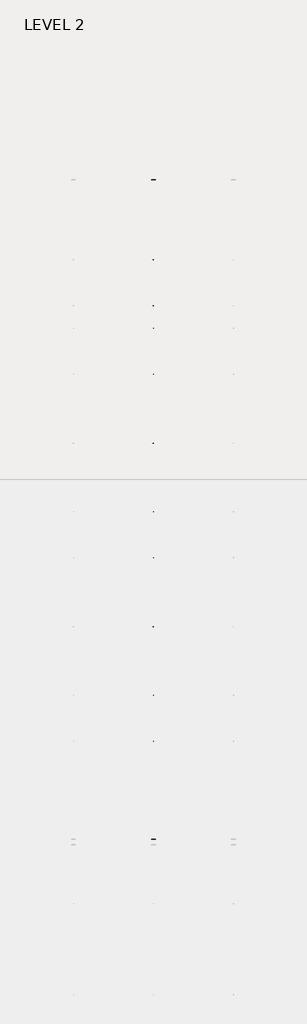
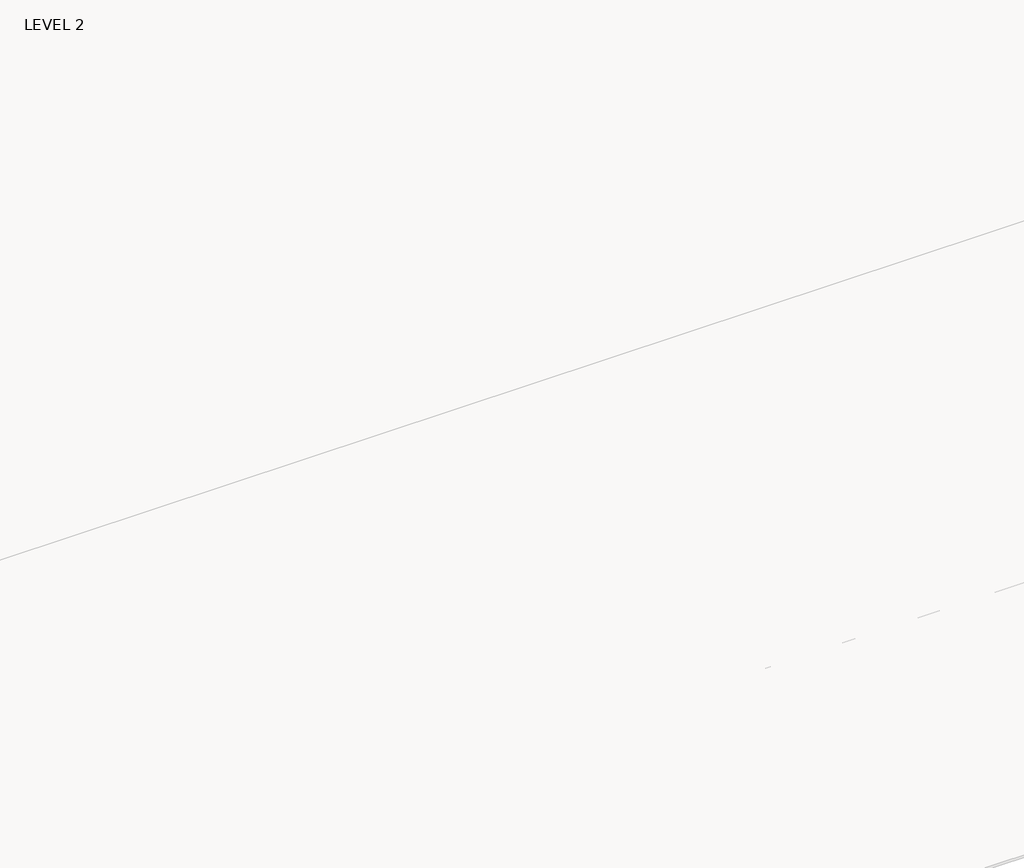
# One storey, part 45 of 67: 1 beam.
"""IFC4 building model written with IfcOpenShell, lengths in millimetres."""

from ifc_helpers import new_model, si_unit, frame, origin, place, context, project, spatial, polyline, outline, extrude, faceted_brep, element, save

model = new_model("IFC4")

# Units and contexts
model_context = context("Model", 3, world=origin())
ifc_project = project(units=[si_unit("LENGTHUNIT", "METRE", prefix="MILLI")], contexts=[model_context])

# Site, building, storey
site = spatial("IfcSite", under=ifc_project)
building = spatial("IfcBuilding", under=site)
storey = spatial("IfcBuildingStorey", under=building, Name="LEVEL 2", Elevation=6908.8)

# Beam
placement = place(None, origin())
element("IfcBeam", 1, ObjectType="K-Series Bar Joist-Angle Web : 30K7", at=placement, inside=storey, context=model_context, shape_type="SolidModel", body=[
    extrude(outline(polyline([(0.0, -9.525), (0.0, 0.0), (1596.011582, 0.0), (1596.011582, -9.525), (0.0, -9.525)])), frame((35701.8014942, 3035.5608234, 6301.5998528), z_axis=(0.0, -0.45537207995192985, 0.8903012236317849), x_axis=(0.0, -0.8903012236317849, -0.45537207995192985)), (0.0, 0.0, 1.0), 9.525),
    extrude(outline(polyline([(0.0, -9.525), (0.0, 0.0), (1596.011582, 0.0), (1596.011582, -9.525), (0.0, -9.525)])), frame((35692.2764942, -9405.2089013, 6276.405159), z_axis=(0.0, 0.45176233395621196, 0.8921383265046045), x_axis=(0.0, 0.8921383265046045, -0.45176233395621196)), (0.0, 0.0, 1.0), 9.525),
    extrude(outline(polyline([(4.7625, 4.7625), (4.7625, -4.7625), (-4.7625, -4.7625), (-4.7625, 4.7625), (4.7625, 4.7625)])), frame((35697.0389942, 1612.4610495, 5579.0607987), z_axis=(0.0, 0.5141906943646374, 0.8576758885667779), x_axis=(-1.0, 0.0, 0.0)), (0.0, 0.0, 1.0), 845.0528554),
    extrude(outline(polyline([(4.7625, 4.7625), (4.7625, -4.7625), (-4.7625, -4.7625), (-4.7625, 4.7625), (4.7625, 4.7625)])), frame((35697.0389942, -7979.1942813, 5559.6360505), z_axis=(0.0, -0.5176603441548682, 0.8555862131249332), x_axis=(-1.0, 0.0, 0.0)), (0.0, 0.0, 1.0), 845.0528554),
    extrude(outline(polyline([(0.0, 0.0), (31.75, 0.0), (31.75, -6.35), (6.35, -6.35), (6.35, -31.75), (0.0, -31.75), (0.0, 0.0)])), frame((35701.8014942, -8080.7812131, 5553.0803065), z_axis=(0.0, 0.9999979493462576, 0.0020251674695521043), x_axis=(1.0, 0.0, 0.0)), (0.0, 0.0, 1.0), 9794.875),
    extrude(outline(polyline([(-9.525, 0.0), (-9.525, -31.75), (-15.875, -31.75), (-15.875, -6.35), (-41.275, -6.35), (-41.275, 0.0), (-9.525, 0.0)])), frame((35701.8014942, -8080.7812131, 5553.0803065), z_axis=(0.0, 0.9999979493462576, 0.0020251674695521043), x_axis=(1.0, 0.0, 0.0)), (0.0, 0.0, 1.0), 9794.875),
    extrude(outline(polyline([(-31.75, 0.0), (0.0, 0.0), (0.0, -6.35), (-25.4, -6.35), (-25.4, -31.75), (-31.75, -31.75), (-31.75, 0.0)])), frame((35733.5514942, -9504.5928758, 6248.6982759), z_axis=(0.0, 0.9999979493462576, 0.0020251674695521043), x_axis=(1.0, 0.0, 0.0)), (0.0, 0.0, 1.0), 101.6),
    extrude(outline(polyline([(-41.275, 0.0), (-41.275, -31.75), (-47.625, -31.75), (-47.625, -6.35), (-73.025, -6.35), (-73.025, 0.0), (-41.275, 0.0)])), frame((35733.5514942, -9504.5928758, 6248.6982759), z_axis=(0.0, 0.9999979493462576, 0.0020251674695521043), x_axis=(1.0, 0.0, 0.0)), (0.0, 0.0, 1.0), 101.6),
    extrude(outline(polyline([(0.0, 0.0), (31.75, 0.0), (31.75, -6.35), (6.35, -6.35), (6.35, -31.75), (0.0, -31.75), (0.0, 0.0)])), frame((35692.2764942, 3033.456413, 6274.0899775), z_axis=(0.0, 0.9999979493462576, 0.0020251674695521043), x_axis=(0.0, -0.0020251674695521043, 0.9999979493462576)), (0.0, 0.0, 1.0), 101.6),
    extrude(outline(polyline([(0.0, 41.275), (6.35, 41.275), (6.35, 15.875), (31.75, 15.875), (31.75, 9.525), (0.0, 9.525), (0.0, 41.275)])), frame((35692.2764942, 3033.456413, 6274.0899775), z_axis=(0.0, 0.9999979493462576, 0.0020251674695521043), x_axis=(0.0, -0.0020251674695521043, 0.9999979493462576)), (0.0, 0.0, 1.0), 101.6),
    extrude(outline(polyline([(0.0, 0.0), (31.75, 0.0), (31.75, -6.35), (6.35, -6.35), (6.35, -31.75), (0.0, -31.75), (0.0, 0.0)])), frame((35701.8014942, -9504.7214739, 6312.1981457), z_axis=(0.0, 0.9999979493462576, 0.0020251674695521043), x_axis=(0.0, 0.0020251674695521043, -0.9999979493462576)), (0.0, 0.0, 1.0), 12639.675),
    extrude(outline(polyline([(0.0, 9.525), (0.0, 41.275), (6.35, 41.275), (6.35, 15.875), (31.75, 15.875), (31.75, 9.525), (0.0, 9.525)])), frame((35701.8014942, -9504.7214739, 6312.1981457), z_axis=(0.0, 0.9999979493462576, 0.0020251674695521043), x_axis=(0.0, 0.0020251674695521043, -0.9999979493462576)), (0.0, 0.0, 1.0), 12639.675),
    faceted_brep([(35697.0389942, 1612.4289, 5594.9357661), (35697.0389942, 1612.4674794, 5575.8858052), (35692.2764942, 1612.4674794, 5575.8858052), (35692.2764942, 1612.4289, 5594.9357661), (35697.0389942, 1611.5910583, 5594.9340693), (35697.0389942, 1186.8149607, 6330.6753354), (35697.0389942, 1168.6028414, 6330.6384527), (35697.0389942, 1168.6414208, 6311.5884918), (35697.0389942, 1175.8292494, 6311.6030483), (35697.0389942, 1600.6053471, 5575.8617823), (35692.2764942, 1600.6053471, 5575.8617823), (35692.2764942, 1580.4651011, 5610.7460665), (35692.2764942, 1584.5895575, 5613.1272983), (35692.2764942, 1189.1083632, 6298.1277874), (35692.2764942, 1184.9839067, 6295.7465555), (35692.2764942, 1175.8292494, 6311.6030483), (35692.2764942, 1168.6414208, 6311.5884918), (35692.2764942, 1168.6028414, 6330.6384527), (35692.2764942, 1186.8149607, 6330.6753354), (35692.2764942, 1611.5910583, 5594.9340693), (35679.5764942, 1184.9839067, 6295.7465555), (35679.5764942, 1580.4651011, 5610.7460665), (35679.5764942, 1584.5895575, 5613.1272983), (35679.5764942, 1189.1083632, 6298.1277874)], [[[0, 1, 2, 3]], [[1, 0, 4, 5, 6, 7, 8, 9]], [[2, 1, 9, 10]], [[3, 2, 10, 11, 12, 13, 14, 15, 16, 17, 18, 19]], [[0, 3, 19, 4]], [[9, 8, 15, 14, 20, 21, 11, 10]], [[5, 4, 19, 18]], [[7, 6, 17, 16]], [[8, 7, 16, 15]], [[6, 5, 18, 17]], [[21, 22, 12, 11]], [[20, 14, 13, 23]], [[22, 21, 20, 23]], [[12, 22, 23, 13]]]),
    extrude(outline(polyline([(740.498813, 5574.119919), (740.4602335, 5593.1698799), (741.2980751, 5593.1715767), (1163.090696, 6330.6272897), (1181.3028154, 6330.6641723), (1181.3413948, 6311.6142114), (1174.1535662, 6311.5996548), (752.3609453, 5574.1439418), (740.498813, 5574.119919)])), frame((35697.0389942, 0.0, 0.0), z_axis=(1.0, 0.0, 0.0), x_axis=(0.0, 1.0, 0.0)), (0.0, 0.0, 1.0), 4.7625),
    extrude(outline(polyline([(-4.7625, 4.7625), (-4.7625, 0.0), (-17.4625, 0.0), (-17.4625, 4.7625), (-4.7625, 4.7625)])), frame((35697.0389942, 772.3597334, 5609.1095144), z_axis=(0.0, 0.4964843899757221, 0.8680456500152716), x_axis=(-1.0, 0.0, 0.0)), (0.0, 0.0, 1.0), 790.9684223),
    faceted_brep([(35697.0389942, -7107.2577644, 5577.2769041), (35697.0389942, -7107.219185, 5558.2269432), (35692.2764942, -7107.219185, 5558.2269432), (35692.2764942, -7107.2577644, 5577.2769041), (35697.0389942, -7108.095606, 5577.2752074), (35697.0389942, -7532.8717036, 6313.0164734), (35697.0389942, -7551.083823, 6312.9795907), (35697.0389942, -7551.0452435, 6293.9296298), (35697.0389942, -7543.8574149, 6293.9441864), (35697.0389942, -7119.0813173, 5558.2029203), (35692.2764942, -7119.0813173, 5558.2029203), (35692.2764942, -7139.2215633, 5593.0872045), (35692.2764942, -7135.0971068, 5595.4684363), (35692.2764942, -7530.5783012, 6280.4689254), (35692.2764942, -7534.7027576, 6278.0876936), (35692.2764942, -7543.8574149, 6293.9441864), (35692.2764942, -7551.0452435, 6293.9296298), (35692.2764942, -7551.083823, 6312.9795907), (35692.2764942, -7532.8717036, 6313.0164734), (35692.2764942, -7108.095606, 5577.2752074), (35679.5764942, -7534.7027576, 6278.0876936), (35679.5764942, -7139.2215633, 5593.0872045), (35679.5764942, -7135.0971068, 5595.4684363), (35679.5764942, -7530.5783012, 6280.4689254)], [[[0, 1, 2, 3]], [[1, 0, 4, 5, 6, 7, 8, 9]], [[2, 1, 9, 10]], [[3, 2, 10, 11, 12, 13, 14, 15, 16, 17, 18, 19]], [[0, 3, 19, 4]], [[9, 8, 15, 14, 20, 21, 11, 10]], [[5, 4, 19, 18]], [[7, 6, 17, 16]], [[8, 7, 16, 15]], [[6, 5, 18, 17]], [[21, 22, 12, 11]], [[20, 14, 13, 23]], [[22, 21, 20, 23]], [[12, 22, 23, 13]]]),
    extrude(outline(polyline([(-7979.1878514, 5556.461057), (-7979.2264308, 5575.5110179), (-7978.3885892, 5575.5127147), (-7556.5959683, 6312.9684277), (-7538.383849, 6313.0053103), (-7538.3452696, 6293.9553494), (-7545.5330982, 6293.9407928), (-7967.3257191, 5556.4850798), (-7979.1878514, 5556.461057)])), frame((35697.0389942, 0.0, 0.0), z_axis=(1.0, 0.0, 0.0), x_axis=(0.0, 1.0, 0.0)), (0.0, 0.0, 1.0), 4.7625),
    extrude(outline(polyline([(-4.7625, 4.7625), (-4.7625, 0.0), (-17.4625, 0.0), (-17.4625, 4.7625), (-4.7625, 4.7625)])), frame((35697.0389942, -7947.326931, 5591.4506524), z_axis=(0.0, 0.4964843899757221, 0.8680456500152716), x_axis=(-1.0, 0.0, 0.0)), (0.0, 0.0, 1.0), 790.9684223),
    faceted_brep([(35697.0389942, 740.4602335, 5593.1698799), (35697.0389942, 740.498813, 5574.119919), (35692.2764942, 740.498813, 5574.119919), (35692.2764942, 740.4602335, 5593.1698799), (35697.0389942, 739.6223919, 5593.1681831), (35697.0389942, 314.8462943, 6328.9094492), (35697.0389942, 296.634175, 6328.8725665), (35697.0389942, 296.6727544, 6309.8226056), (35697.0389942, 303.860583, 6309.8371621), (35697.0389942, 728.6366806, 5574.0958961), (35692.2764942, 728.6366806, 5574.0958961), (35692.2764942, 708.4964346, 5608.9801803), (35692.2764942, 712.6208911, 5611.3614121), (35692.2764942, 317.1396968, 6296.3619012), (35692.2764942, 313.0152403, 6293.9806693), (35692.2764942, 303.860583, 6309.8371621), (35692.2764942, 296.6727544, 6309.8226056), (35692.2764942, 296.634175, 6328.8725665), (35692.2764942, 314.8462943, 6328.9094492), (35692.2764942, 739.6223919, 5593.1681831), (35679.5764942, 313.0152403, 6293.9806693), (35679.5764942, 708.4964346, 5608.9801803), (35679.5764942, 712.6208911, 5611.3614121), (35679.5764942, 317.1396968, 6296.3619012)], [[[0, 1, 2, 3]], [[1, 0, 4, 5, 6, 7, 8, 9]], [[2, 1, 9, 10]], [[3, 2, 10, 11, 12, 13, 14, 15, 16, 17, 18, 19]], [[0, 3, 19, 4]], [[9, 8, 15, 14, 20, 21, 11, 10]], [[5, 4, 19, 18]], [[7, 6, 17, 16]], [[8, 7, 16, 15]], [[6, 5, 18, 17]], [[21, 22, 12, 11]], [[20, 14, 13, 23]], [[22, 21, 20, 23]], [[12, 22, 23, 13]]]),
    extrude(outline(polyline([(-131.4698535, 5572.3540328), (-131.5084329, 5591.4039937), (-130.6705913, 5591.4056905), (291.1220296, 6328.8614035), (309.3341489, 6328.8982861), (309.3727284, 6309.8483252), (302.1848998, 6309.8337686), (-119.6077211, 5572.3780556), (-131.4698535, 5572.3540328)])), frame((35697.0389942, 0.0, 0.0), z_axis=(1.0, 0.0, 0.0), x_axis=(0.0, 1.0, 0.0)), (0.0, 0.0, 1.0), 4.7625),
    extrude(outline(polyline([(-4.7625, 4.7625), (-4.7625, 0.0), (-17.4625, 0.0), (-17.4625, 4.7625), (-4.7625, 4.7625)])), frame((35697.0389942, -99.6089331, 5607.3436282), z_axis=(0.0, 0.4964843899757221, 0.8680456500152716), x_axis=(-1.0, 0.0, 0.0)), (0.0, 0.0, 1.0), 790.9684223),
    faceted_brep([(35697.0389942, -131.5084329, 5591.4039937), (35697.0389942, -131.4698535, 5572.3540328), (35692.2764942, -131.4698535, 5572.3540328), (35692.2764942, -131.5084329, 5591.4039937), (35697.0389942, -132.3462745, 5591.4022969), (35697.0389942, -557.1223722, 6327.143563), (35697.0389942, -575.3344915, 6327.1066803), (35697.0389942, -575.295912, 6308.0567194), (35697.0389942, -568.1080834, 6308.0712759), (35697.0389942, -143.3319858, 5572.3300099), (35692.2764942, -143.3319858, 5572.3300099), (35692.2764942, -163.4722318, 5607.2142941), (35692.2764942, -159.3477753, 5609.5955259), (35692.2764942, -554.8289697, 6294.596015), (35692.2764942, -558.9534262, 6292.2147831), (35692.2764942, -568.1080834, 6308.0712759), (35692.2764942, -575.295912, 6308.0567194), (35692.2764942, -575.3344915, 6327.1066803), (35692.2764942, -557.1223722, 6327.143563), (35692.2764942, -132.3462745, 5591.4022969), (35679.5764942, -558.9534262, 6292.2147831), (35679.5764942, -163.4722318, 5607.2142941), (35679.5764942, -159.3477753, 5609.5955259), (35679.5764942, -554.8289697, 6294.596015)], [[[0, 1, 2, 3]], [[1, 0, 4, 5, 6, 7, 8, 9]], [[2, 1, 9, 10]], [[3, 2, 10, 11, 12, 13, 14, 15, 16, 17, 18, 19]], [[0, 3, 19, 4]], [[9, 8, 15, 14, 20, 21, 11, 10]], [[5, 4, 19, 18]], [[7, 6, 17, 16]], [[8, 7, 16, 15]], [[6, 5, 18, 17]], [[21, 22, 12, 11]], [[20, 14, 13, 23]], [[22, 21, 20, 23]], [[12, 22, 23, 13]]]),
    extrude(outline(polyline([(-1003.4385199, 5570.5881466), (-1003.4770993, 5589.6381075), (-1002.6392577, 5589.6398043), (-580.8466368, 6327.0955173), (-562.6345175, 6327.1323999), (-562.5959381, 6308.082439), (-569.7837667, 6308.0678824), (-991.5763876, 5570.6121694), (-1003.4385199, 5570.5881466)])), frame((35697.0389942, 0.0, 0.0), z_axis=(1.0, 0.0, 0.0), x_axis=(0.0, 1.0, 0.0)), (0.0, 0.0, 1.0), 4.7625),
    extrude(outline(polyline([(-4.7625, 4.7625), (-4.7625, 0.0), (-17.4625, 0.0), (-17.4625, 4.7625), (-4.7625, 4.7625)])), frame((35697.0389942, -971.5775995, 5605.577742), z_axis=(0.0, 0.4964843899757221, 0.8680456500152716), x_axis=(-1.0, 0.0, 0.0)), (0.0, 0.0, 1.0), 790.9684223),
    faceted_brep([(35697.0389942, -1003.4770993, 5589.6381075), (35697.0389942, -1003.4385199, 5570.5881466), (35692.2764942, -1003.4385199, 5570.5881466), (35692.2764942, -1003.4770993, 5589.6381075), (35697.0389942, -1004.314941, 5589.6364107), (35697.0389942, -1429.0910386, 6325.3776768), (35697.0389942, -1447.3031579, 6325.3407941), (35697.0389942, -1447.2645785, 6306.2908332), (35697.0389942, -1440.0767499, 6306.3053897), (35697.0389942, -1015.3006522, 5570.5641237), (35692.2764942, -1015.3006522, 5570.5641237), (35692.2764942, -1035.4408983, 5605.4484079), (35692.2764942, -1031.3164418, 5607.8296397), (35692.2764942, -1426.7976361, 6292.8301288), (35692.2764942, -1430.9220926, 6290.4488969), (35692.2764942, -1440.0767499, 6306.3053897), (35692.2764942, -1447.2645785, 6306.2908332), (35692.2764942, -1447.3031579, 6325.3407941), (35692.2764942, -1429.0910386, 6325.3776768), (35692.2764942, -1004.314941, 5589.6364107), (35679.5764942, -1430.9220926, 6290.4488969), (35679.5764942, -1035.4408983, 5605.4484079), (35679.5764942, -1031.3164418, 5607.8296397), (35679.5764942, -1426.7976361, 6292.8301288)], [[[0, 1, 2, 3]], [[1, 0, 4, 5, 6, 7, 8, 9]], [[2, 1, 9, 10]], [[3, 2, 10, 11, 12, 13, 14, 15, 16, 17, 18, 19]], [[0, 3, 19, 4]], [[9, 8, 15, 14, 20, 21, 11, 10]], [[5, 4, 19, 18]], [[7, 6, 17, 16]], [[8, 7, 16, 15]], [[6, 5, 18, 17]], [[21, 22, 12, 11]], [[20, 14, 13, 23]], [[22, 21, 20, 23]], [[12, 22, 23, 13]]]),
    extrude(outline(polyline([(-1875.4071863, 5568.8222604), (-1875.4457658, 5587.8722213), (-1874.6079242, 5587.8739181), (-1452.8153033, 6325.3296311), (-1434.6031839, 6325.3665137), (-1434.5646045, 6306.3165528), (-1441.7524331, 6306.3019962), (-1863.545054, 5568.8462832), (-1875.4071863, 5568.8222604)])), frame((35697.0389942, 0.0, 0.0), z_axis=(1.0, 0.0, 0.0), x_axis=(0.0, 1.0, 0.0)), (0.0, 0.0, 1.0), 4.7625),
    extrude(outline(polyline([(-4.7625, 4.7625001), (-4.7625, 0.0), (-17.4625, 0.0), (-17.4625, 4.7625001), (-4.7625, 4.7625001)])), frame((35697.0389942, -1843.5462659, 5603.8118558), z_axis=(0.0, 0.4964843899757221, 0.8680456500152716), x_axis=(-1.0, 0.0, 0.0)), (0.0, 0.0, 1.0), 790.9684223),
    faceted_brep([(35697.0389942, -1875.4457658, 5587.8722213), (35697.0389942, -1875.4071863, 5568.8222604), (35692.2764942, -1875.4071863, 5568.8222604), (35692.2764942, -1875.4457658, 5587.8722213), (35697.0389942, -1876.2836074, 5587.8705245), (35697.0389942, -2301.059705, 6323.6117906), (35697.0389942, -2319.2718243, 6323.5749079), (35697.0389942, -2319.2332449, 6304.524947), (35697.0389942, -2312.0454163, 6304.5395035), (35697.0389942, -1887.2693187, 5568.7982375), (35692.2764942, -1887.2693187, 5568.7982375), (35692.2764942, -1907.4095647, 5603.6825217), (35692.2764942, -1903.2851082, 5606.0637535), (35692.2764942, -2298.7663026, 6291.0642426), (35692.2764942, -2302.890759, 6288.6830107), (35692.2764942, -2312.0454163, 6304.5395035), (35692.2764942, -2319.2332449, 6304.524947), (35692.2764942, -2319.2718243, 6323.5749079), (35692.2764942, -2301.059705, 6323.6117906), (35692.2764942, -1876.2836074, 5587.8705245), (35679.5764942, -2302.890759, 6288.6830107), (35679.5764942, -1907.4095647, 5603.6825217), (35679.5764942, -1903.2851082, 5606.0637535), (35679.5764942, -2298.7663026, 6291.0642426)], [[[0, 1, 2, 3]], [[1, 0, 4, 5, 6, 7, 8, 9]], [[2, 1, 9, 10]], [[3, 2, 10, 11, 12, 13, 14, 15, 16, 17, 18, 19]], [[0, 3, 19, 4]], [[9, 8, 15, 14, 20, 21, 11, 10]], [[5, 4, 19, 18]], [[7, 6, 17, 16]], [[8, 7, 16, 15]], [[6, 5, 18, 17]], [[21, 22, 12, 11]], [[20, 14, 13, 23]], [[22, 21, 20, 23]], [[12, 22, 23, 13]]]),
    extrude(outline(polyline([(-2747.3758528, 5567.0563742), (-2747.4144322, 5586.1063351), (-2746.5765906, 5586.1080319), (-2324.7839697, 6323.5637449), (-2306.5718504, 6323.6006275), (-2306.5332709, 6304.5506666), (-2313.7210995, 6304.53611), (-2735.5137204, 5567.080397), (-2747.3758528, 5567.0563742)])), frame((35697.0389942, 0.0, 0.0), z_axis=(1.0, 0.0, 0.0), x_axis=(0.0, 1.0, 0.0)), (0.0, 0.0, 1.0), 4.7625),
    extrude(outline(polyline([(-4.7625, 4.7625), (-4.7625, 0.0), (-17.4625, 0.0), (-17.4625, 4.7625), (-4.7625, 4.7625)])), frame((35697.0389942, -2715.5149324, 5602.0459696), z_axis=(0.0, 0.4964843899757221, 0.8680456500152716), x_axis=(-1.0, 0.0, 0.0)), (0.0, 0.0, 1.0), 790.9684223),
    faceted_brep([(35697.0389942, -2747.4144322, 5586.1063351), (35697.0389942, -2747.3758528, 5567.0563742), (35692.2764942, -2747.3758528, 5567.0563742), (35692.2764942, -2747.4144322, 5586.1063351), (35697.0389942, -2748.2522738, 5586.1046383), (35697.0389942, -3173.0283715, 6321.8459044), (35697.0389942, -3191.2404908, 6321.8090217), (35697.0389942, -3191.2019113, 6302.7590608), (35697.0389942, -3184.0140827, 6302.7736173), (35697.0389942, -2759.2379851, 5567.0323513), (35692.2764942, -2759.2379851, 5567.0323513), (35692.2764942, -2779.3782311, 5601.9166355), (35692.2764942, -2775.2537747, 5604.2978673), (35692.2764942, -3170.734969, 6289.2983564), (35692.2764942, -3174.8594255, 6286.9171245), (35692.2764942, -3184.0140827, 6302.7736173), (35692.2764942, -3191.2019113, 6302.7590608), (35692.2764942, -3191.2404908, 6321.8090217), (35692.2764942, -3173.0283715, 6321.8459044), (35692.2764942, -2748.2522738, 5586.1046383), (35679.5764942, -3174.8594255, 6286.9171245), (35679.5764942, -2779.3782311, 5601.9166355), (35679.5764942, -2775.2537747, 5604.2978673), (35679.5764942, -3170.734969, 6289.2983564)], [[[0, 1, 2, 3]], [[1, 0, 4, 5, 6, 7, 8, 9]], [[2, 1, 9, 10]], [[3, 2, 10, 11, 12, 13, 14, 15, 16, 17, 18, 19]], [[0, 3, 19, 4]], [[9, 8, 15, 14, 20, 21, 11, 10]], [[5, 4, 19, 18]], [[7, 6, 17, 16]], [[8, 7, 16, 15]], [[6, 5, 18, 17]], [[21, 22, 12, 11]], [[20, 14, 13, 23]], [[22, 21, 20, 23]], [[12, 22, 23, 13]]]),
    extrude(outline(polyline([(-3619.3445192, 5565.290488), (-3619.3830987, 5584.3404489), (-3618.545257, 5584.3421457), (-3196.7526361, 6321.7978587), (-3178.5405168, 6321.8347413), (-3178.5019374, 6302.7847804), (-3185.689766, 6302.7702238), (-3607.4823869, 5565.3145108), (-3619.3445192, 5565.290488)])), frame((35697.0389942, 0.0, 0.0), z_axis=(1.0, 0.0, 0.0), x_axis=(0.0, 1.0, 0.0)), (0.0, 0.0, 1.0), 4.7625),
    extrude(outline(polyline([(-4.7625, 4.7625), (-4.7625, 0.0), (-17.4625, 0.0), (-17.4625, 4.7625), (-4.7625, 4.7625)])), frame((35697.0389942, -3587.4835988, 5600.2800834), z_axis=(0.0, 0.4964843899757221, 0.8680456500152716), x_axis=(-1.0, 0.0, 0.0)), (0.0, 0.0, 1.0), 790.9684223),
    faceted_brep([(35697.0389942, -3619.3830987, 5584.3404489), (35697.0389942, -3619.3445192, 5565.290488), (35692.2764942, -3619.3445192, 5565.290488), (35692.2764942, -3619.3830987, 5584.3404489), (35697.0389942, -3620.2209403, 5584.3387521), (35697.0389942, -4044.9970379, 6320.0800182), (35697.0389942, -4063.2091572, 6320.0431355), (35697.0389942, -4063.1705778, 6300.9931746), (35697.0389942, -4055.9827492, 6301.0077311), (35697.0389942, -3631.2066516, 5565.2664651), (35692.2764942, -3631.2066516, 5565.2664651), (35692.2764942, -3651.3468976, 5600.1507493), (35692.2764942, -3647.2224411, 5602.5319811), (35692.2764942, -4042.7036354, 6287.5324702), (35692.2764942, -4046.8280919, 6285.1512383), (35692.2764942, -4055.9827492, 6301.0077311), (35692.2764942, -4063.1705778, 6300.9931746), (35692.2764942, -4063.2091572, 6320.0431355), (35692.2764942, -4044.9970379, 6320.0800182), (35692.2764942, -3620.2209403, 5584.3387521), (35679.5764942, -4046.8280919, 6285.1512383), (35679.5764942, -3651.3468976, 5600.1507493), (35679.5764942, -3647.2224411, 5602.5319811), (35679.5764942, -4042.7036354, 6287.5324702)], [[[0, 1, 2, 3]], [[1, 0, 4, 5, 6, 7, 8, 9]], [[2, 1, 9, 10]], [[3, 2, 10, 11, 12, 13, 14, 15, 16, 17, 18, 19]], [[0, 3, 19, 4]], [[9, 8, 15, 14, 20, 21, 11, 10]], [[5, 4, 19, 18]], [[7, 6, 17, 16]], [[8, 7, 16, 15]], [[6, 5, 18, 17]], [[21, 22, 12, 11]], [[20, 14, 13, 23]], [[22, 21, 20, 23]], [[12, 22, 23, 13]]]),
    extrude(outline(polyline([(-4491.3131857, 5563.5246018), (-4491.3517651, 5582.5745627), (-4490.5139235, 5582.5762595), (-4068.7213026, 6320.0319725), (-4050.5091833, 6320.0688551), (-4050.4706038, 6301.0188942), (-4057.6584324, 6301.0043376), (-4479.4510533, 5563.5486246), (-4491.3131857, 5563.5246018)])), frame((35697.0389942, 0.0, 0.0), z_axis=(1.0, 0.0, 0.0), x_axis=(0.0, 1.0, 0.0)), (0.0, 0.0, 1.0), 4.7625),
    extrude(outline(polyline([(-4.7625, 4.7625), (-4.7625, 0.0), (-17.4625, 0.0), (-17.4625, 4.7625), (-4.7625, 4.7625)])), frame((35697.0389942, -4459.4522653, 5598.5141972), z_axis=(0.0, 0.4964843899757221, 0.8680456500152716), x_axis=(-1.0, 0.0, 0.0)), (0.0, 0.0, 1.0), 790.9684223),
    faceted_brep([(35697.0389942, -4491.3517651, 5582.5745627), (35697.0389942, -4491.3131857, 5563.5246018), (35692.2764942, -4491.3131857, 5563.5246018), (35692.2764942, -4491.3517651, 5582.5745627), (35697.0389942, -4492.1896067, 5582.572866), (35697.0389942, -4916.9657043, 6318.314132), (35697.0389942, -4935.1778236, 6318.2772493), (35697.0389942, -4935.1392442, 6299.2272884), (35697.0389942, -4927.9514156, 6299.241845), (35697.0389942, -4503.175318, 5563.5005789), (35692.2764942, -4503.175318, 5563.5005789), (35692.2764942, -4523.315564, 5598.3848631), (35692.2764942, -4519.1911075, 5600.7660949), (35692.2764942, -4914.6723019, 6285.766584), (35692.2764942, -4918.7967583, 6283.3853521), (35692.2764942, -4927.9514156, 6299.241845), (35692.2764942, -4935.1392442, 6299.2272884), (35692.2764942, -4935.1778236, 6318.2772493), (35692.2764942, -4916.9657043, 6318.314132), (35692.2764942, -4492.1896067, 5582.572866), (35679.5764942, -4918.7967583, 6283.3853521), (35679.5764942, -4523.315564, 5598.3848631), (35679.5764942, -4519.1911075, 5600.7660949), (35679.5764942, -4914.6723019, 6285.766584)], [[[0, 1, 2, 3]], [[1, 0, 4, 5, 6, 7, 8, 9]], [[2, 1, 9, 10]], [[3, 2, 10, 11, 12, 13, 14, 15, 16, 17, 18, 19]], [[0, 3, 19, 4]], [[9, 8, 15, 14, 20, 21, 11, 10]], [[5, 4, 19, 18]], [[7, 6, 17, 16]], [[8, 7, 16, 15]], [[6, 5, 18, 17]], [[21, 22, 12, 11]], [[20, 14, 13, 23]], [[22, 21, 20, 23]], [[12, 22, 23, 13]]]),
    extrude(outline(polyline([(-5363.2818521, 5561.7587156), (-5363.3204315, 5580.8086765), (-5362.4825899, 5580.8103733), (-4940.689969, 6318.2660863), (-4922.4778497, 6318.3029689), (-4922.4392703, 6299.253008), (-4929.6270988, 6299.2384514), (-5351.4197198, 5561.7827384), (-5363.2818521, 5561.7587156)])), frame((35697.0389942, 0.0, 0.0), z_axis=(1.0, 0.0, 0.0), x_axis=(0.0, 1.0, 0.0)), (0.0, 0.0, 1.0), 4.7625),
    extrude(outline(polyline([(-4.7625, 4.7625), (-4.7625, 0.0), (-17.4625, 0.0), (-17.4625, 4.7625), (-4.7625, 4.7625)])), frame((35697.0389942, -5331.4209317, 5596.748311), z_axis=(0.0, 0.4964843899757221, 0.8680456500152716), x_axis=(-1.0, 0.0, 0.0)), (0.0, 0.0, 1.0), 790.9684223),
    faceted_brep([(35697.0389942, -5363.3204315, 5580.8086765), (35697.0389942, -5363.2818521, 5561.7587156), (35692.2764942, -5363.2818521, 5561.7587156), (35692.2764942, -5363.3204315, 5580.8086765), (35697.0389942, -5364.1582731, 5580.8069798), (35697.0389942, -5788.9343708, 6316.5482458), (35697.0389942, -5807.1464901, 6316.5113631), (35697.0389942, -5807.1079106, 6297.4614022), (35697.0389942, -5799.920082, 6297.4759588), (35697.0389942, -5375.1439844, 5561.7346927), (35692.2764942, -5375.1439844, 5561.7346927), (35692.2764942, -5395.2842304, 5596.6189769), (35692.2764942, -5391.159774, 5599.0002087), (35692.2764942, -5786.6409683, 6284.0006978), (35692.2764942, -5790.7654248, 6281.6194659), (35692.2764942, -5799.920082, 6297.4759588), (35692.2764942, -5807.1079106, 6297.4614022), (35692.2764942, -5807.1464901, 6316.5113631), (35692.2764942, -5788.9343708, 6316.5482458), (35692.2764942, -5364.1582731, 5580.8069798), (35679.5764942, -5790.7654248, 6281.6194659), (35679.5764942, -5395.2842304, 5596.6189769), (35679.5764942, -5391.159774, 5599.0002087), (35679.5764942, -5786.6409683, 6284.0006978)], [[[0, 1, 2, 3]], [[1, 0, 4, 5, 6, 7, 8, 9]], [[2, 1, 9, 10]], [[3, 2, 10, 11, 12, 13, 14, 15, 16, 17, 18, 19]], [[0, 3, 19, 4]], [[9, 8, 15, 14, 20, 21, 11, 10]], [[5, 4, 19, 18]], [[7, 6, 17, 16]], [[8, 7, 16, 15]], [[6, 5, 18, 17]], [[21, 22, 12, 11]], [[20, 14, 13, 23]], [[22, 21, 20, 23]], [[12, 22, 23, 13]]]),
    extrude(outline(polyline([(-6235.2505185, 5559.9928294), (-6235.289098, 5579.0427903), (-6234.4512563, 5579.0444871), (-5812.6586354, 6316.5002001), (-5794.4465161, 6316.5370827), (-5794.4079367, 6297.4871218), (-5801.5957653, 6297.4725652), (-6223.3883862, 5560.0168522), (-6235.2505185, 5559.9928294)])), frame((35697.0389942, 0.0, 0.0), z_axis=(1.0, 0.0, 0.0), x_axis=(0.0, 1.0, 0.0)), (0.0, 0.0, 1.0), 4.7625),
    extrude(outline(polyline([(-4.7625, 4.7625), (-4.7625, 0.0), (-17.4625, 0.0), (-17.4625, 4.7625), (-4.7625, 4.7625)])), frame((35697.0389942, -6203.3895981, 5594.9824248), z_axis=(0.0, 0.4964843899757221, 0.8680456500152716), x_axis=(-1.0, 0.0, 0.0)), (0.0, 0.0, 1.0), 790.9684223),
    faceted_brep([(35697.0389942, -6235.289098, 5579.0427903), (35697.0389942, -6235.2505185, 5559.9928294), (35692.2764942, -6235.2505185, 5559.9928294), (35692.2764942, -6235.289098, 5579.0427903), (35697.0389942, -6236.1269396, 5579.0410936), (35697.0389942, -6660.9030372, 6314.7823596), (35697.0389942, -6679.1151565, 6314.7454769), (35697.0389942, -6679.0765771, 6295.695516), (35697.0389942, -6671.8887485, 6295.7100726), (35697.0389942, -6247.1126509, 5559.9688065), (35692.2764942, -6247.1126509, 5559.9688065), (35692.2764942, -6267.2528969, 5594.8530907), (35692.2764942, -6263.1284404, 5597.2343225), (35692.2764942, -6658.6096347, 6282.2348116), (35692.2764942, -6662.7340912, 6279.8535798), (35692.2764942, -6671.8887485, 6295.7100726), (35692.2764942, -6679.0765771, 6295.695516), (35692.2764942, -6679.1151565, 6314.7454769), (35692.2764942, -6660.9030372, 6314.7823596), (35692.2764942, -6236.1269396, 5579.0410936), (35679.5764942, -6662.7340912, 6279.8535798), (35679.5764942, -6267.2528969, 5594.8530907), (35679.5764942, -6263.1284404, 5597.2343225), (35679.5764942, -6658.6096347, 6282.2348116)], [[[0, 1, 2, 3]], [[1, 0, 4, 5, 6, 7, 8, 9]], [[2, 1, 9, 10]], [[3, 2, 10, 11, 12, 13, 14, 15, 16, 17, 18, 19]], [[0, 3, 19, 4]], [[9, 8, 15, 14, 20, 21, 11, 10]], [[5, 4, 19, 18]], [[7, 6, 17, 16]], [[8, 7, 16, 15]], [[6, 5, 18, 17]], [[21, 22, 12, 11]], [[20, 14, 13, 23]], [[22, 21, 20, 23]], [[12, 22, 23, 13]]]),
    extrude(outline(polyline([(-7107.219185, 5558.2269432), (-7107.2577644, 5577.2769041), (-7106.4199228, 5577.2786009), (-6684.6273019, 6314.7343139), (-6666.4151826, 6314.7711965), (-6666.3766031, 6295.7212356), (-6673.5644317, 6295.706679), (-7095.3570526, 5558.250966), (-7107.219185, 5558.2269432)])), frame((35697.0389942, 0.0, 0.0), z_axis=(1.0, 0.0, 0.0), x_axis=(0.0, 1.0, 0.0)), (0.0, 0.0, 1.0), 4.7625),
    extrude(outline(polyline([(-4.7625, 4.7625), (-4.7625, 0.0), (-17.4625, 0.0), (-17.4625, 4.7625), (-4.7625, 4.7625)])), frame((35697.0389942, -7075.3582646, 5593.2165386), z_axis=(0.0, 0.4964843899757221, 0.8680456500152716), x_axis=(-1.0, 0.0, 0.0)), (0.0, 0.0, 1.0), 790.9684223),
])

save(model, "model.ifc")
